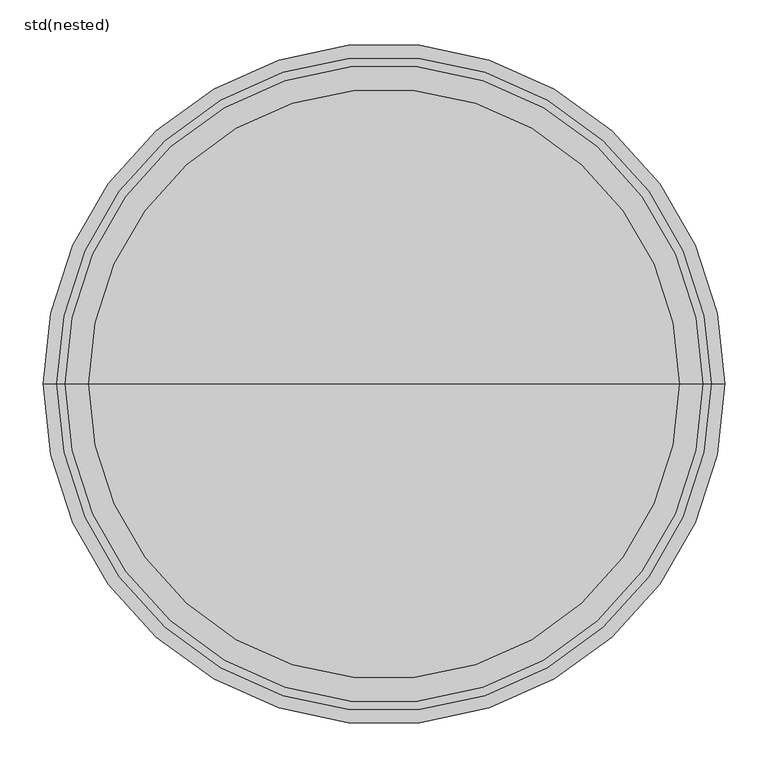
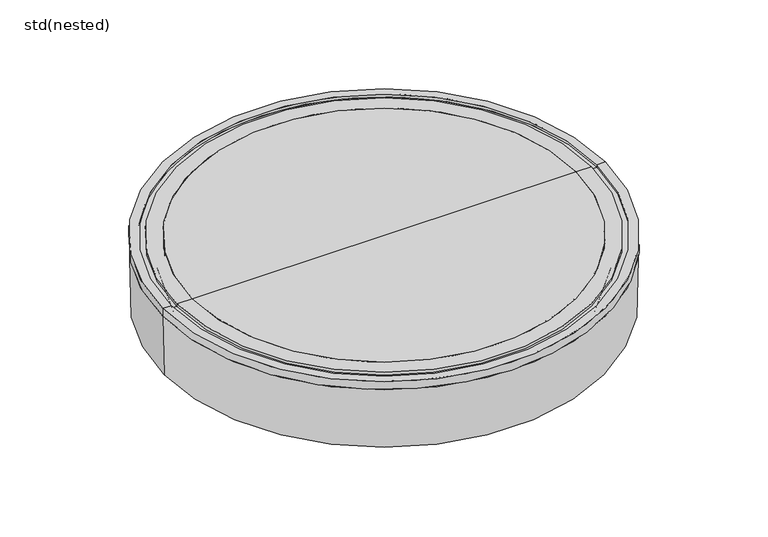
"""IFC4 building model written with IfcOpenShell, lengths in millimetres: sanitary terminal geometry, std(nested)."""

from ifc_helpers import new_model, si_unit, frame, origin, place, context, project, spatial, polyline, circle_curve, source, transform, mapped, element, save
from ifc_brep_helpers import plane_surface, cylinder_surface, revolved_surface, advanced_brep


def std_nested_6e9eaeb5(model_context):
    return source(origin(), model_context, "Body", "AdvancedBrep", [
        advanced_brep(
        [(392.5, 0.0, -15.0), (-392.5, 0.0, -15.0), (-350.0230242, 0.0, -15.0), (350.0230242, 0.0, -15.0), (-350.0230242, 0.0, -35.6814835), (350.0230242, 0.0, -35.6814835), (334.9448405, 0.0, -125.0), (-334.9448405, 0.0, -125.0), (-390.0, 0.0, -125.0), (390.0, 0.0, -125.0), (334.9448405, 0.0, -85.0), (-334.9448405, 0.0, -85.0), (336.4734939, 0.0, -80.0), (-336.4734939, 0.0, -80.0), (-340.0, 0.0, -68.4653184), (340.0, 0.0, -68.4653184)],
        [
            (0, 1, circle_curve(frame((0.0, 0.0, -15.0), z_axis=(0.0, 0.0, 1.0), x_axis=(-1.0, 0.0, 0.0)), 392.5)),
            (1, 2),
            (2, 3, circle_curve(frame((0.0, 0.0, -15.0), z_axis=(0.0, 0.0, -1.0), x_axis=(-1.0, 0.0, 0.0)), 350.0230242)),
            (3, 0),
            (1, 0, circle_curve(frame((0.0, 0.0, -15.0), z_axis=(0.0, 0.0, 1.0), x_axis=(-1.0, 0.0, 0.0)), 392.5)),
            (3, 2, circle_curve(frame((0.0, 0.0, -15.0), z_axis=(0.0, 0.0, -1.0), x_axis=(-1.0, 0.0, 0.0)), 350.0230242)),
            (2, 4),
            (4, 5, circle_curve(frame((0.0, 0.0, -35.6814835), z_axis=(0.0, 0.0, -1.0), x_axis=(-1.0, 0.0, 0.0)), 350.0230242)),
            (5, 3),
            (5, 4, circle_curve(frame((0.0, 0.0, -35.6814835), z_axis=(0.0, 0.0, -1.0), x_axis=(-1.0, 0.0, 0.0)), 350.0230242)),
            (6, 7, circle_curve(frame((0.0, 0.0, -125.0), z_axis=(0.0, 0.0, 1.0), x_axis=(-1.0, 0.0, 0.0)), 334.9448405)),
            (7, 8),
            (8, 9, circle_curve(frame((0.0, 0.0, -125.0), z_axis=(0.0, 0.0, -1.0), x_axis=(-1.0, 0.0, 0.0)), 390.0)),
            (9, 6),
            (7, 6, circle_curve(frame((0.0, 0.0, -125.0), z_axis=(0.0, 0.0, 1.0), x_axis=(-1.0, 0.0, 0.0)), 334.9448405)),
            (9, 8, circle_curve(frame((0.0, 0.0, -125.0), z_axis=(0.0, 0.0, -1.0), x_axis=(-1.0, 0.0, 0.0)), 390.0)),
            (10, 11, circle_curve(frame((0.0, 0.0, -85.0), z_axis=(0.0, 0.0, 1.0), x_axis=(-1.0, 0.0, 0.0)), 334.9448405)),
            (11, 7),
            (6, 10),
            (11, 10, circle_curve(frame((0.0, 0.0, -85.0), z_axis=(0.0, 0.0, 1.0), x_axis=(-1.0, 0.0, 0.0)), 334.9448405)),
            (12, 13, circle_curve(frame((0.0, 0.0, -80.0), z_axis=(0.0, 0.0, 1.0), x_axis=(-1.0, 0.0, 0.0)), 336.4734939)),
            (13, 11),
            (10, 12),
            (13, 12, circle_curve(frame((0.0, 0.0, -80.0), z_axis=(0.0, 0.0, 1.0), x_axis=(-1.0, 0.0, 0.0)), 336.4734939)),
            (4, 14),
            (14, 15, circle_curve(frame((0.0, 0.0, -68.4653184), z_axis=(0.0, 0.0, -1.0), x_axis=(-1.0, 0.0, 0.0)), 340.0)),
            (15, 5),
            (15, 14, circle_curve(frame((0.0, 0.0, -68.4653184), z_axis=(0.0, 0.0, -1.0), x_axis=(-1.0, 0.0, 0.0)), 340.0)),
            (14, 13),
            (12, 15),
            (8, 1),
            (0, 9),
        ],
        [
            plane_surface(frame((0.0, 0.0, -15.0), z_axis=(0.0, 0.0, 1.0), x_axis=(-1.0, 0.0, 0.0))),
            revolved_surface(polyline([(-350.0230242, 0.0, -35.68148350000001), (-350.0230242, 0.0, -15.0)]), (0.0, 0.0, 485.0), (0.0, 0.0, -1.0)),
            plane_surface(frame((0.0, 0.0, -125.0), z_axis=(0.0, 0.0, -1.0), x_axis=(-1.0, 0.0, 0.0))),
            revolved_surface(polyline([(-334.9448405, 0.0, -125.0), (-334.9448405, 0.0, -85.0)]), (0.0, 0.0, 485.0), (0.0, 0.0, -1.0)),
            revolved_surface(polyline([(-334.9448405, 0.0, -85.0), (-336.4734939, 0.0, -80.0)]), (0.0, 0.0, 485.0), (0.0, 0.0, -1.0)),
            revolved_surface(polyline([(-340.0, 0.0, -68.4653184), (-350.0230242, 0.0, -35.6814835)]), (0.0, 0.0, 485.0), (0.0, 0.0, -1.0)),
            revolved_surface(polyline([(-336.4734939, 0.0, -80.0), (-340.0, 0.0, -68.4653184)]), (0.0, 0.0, 485.0), (0.0, 0.0, -1.0)),
            revolved_surface(polyline([(-392.5, 0.0, -15.0), (-390.0, 0.0, -125.0)]), (0.0, 0.0, 485.0), (0.0, 0.0, -1.0)),
        ],
        [
            (0, [[1, 2, 3, 4]]),
            (0, [[5, -4, 6, -2]]),
            (1, [[-3, 7, 8, 9]]),
            (1, [[-6, -9, 10, -7]]),
            (2, [[11, 12, 13, 14]]),
            (2, [[15, -14, 16, -12]]),
            (3, [[17, 18, -11, 19]]),
            (3, [[20, -19, -15, -18]]),
            (4, [[21, 22, -17, 23]]),
            (4, [[24, -23, -20, -22]]),
            (5, [[-8, 25, 26, 27]]),
            (5, [[-10, -27, 28, -25]]),
            (6, [[-26, 29, -21, 30]]),
            (6, [[-28, -30, -24, -29]]),
            (7, [[-13, 31, -1, 32]]),
            (7, [[-16, -32, -5, -31]]),
        ],
    ),
        advanced_brep(
        [(310.4331581, 0.0, -50.0), (-310.4331581, 0.0, -50.0), (-340.0, 0.0, -50.0), (340.0, 0.0, -50.0), (310.4331581, 0.0, -47.0096189), (-310.4331581, 0.0, -47.0096189), (277.9331581, 0.0, -47.0096189), (-277.9331581, 0.0, -47.0096189), (277.9331581, 0.0, -52.0096189), (-277.9331581, 0.0, -52.0096189), (185.2305771, 0.0, -125.0), (-185.2305771, 0.0, -125.0), (0.0, 0.0, -125.0), (340.0, 0.0, 0.0), (-340.0, 0.0, 0.0), (0.0, 0.0, 0.0)],
        [
            (0, 1, circle_curve(frame((0.0, 0.0, -50.0), z_axis=(0.0, 0.0, 1.0), x_axis=(-1.0, 0.0, 0.0)), 310.4331581)),
            (1, 2),
            (2, 3, circle_curve(frame((0.0, 0.0, -50.0), z_axis=(0.0, 0.0, -1.0), x_axis=(-1.0, 0.0, 0.0)), 340.0)),
            (3, 0),
            (1, 0, circle_curve(frame((0.0, 0.0, -50.0), z_axis=(0.0, 0.0, 1.0), x_axis=(-1.0, 0.0, 0.0)), 310.4331581)),
            (3, 2, circle_curve(frame((0.0, 0.0, -50.0), z_axis=(0.0, 0.0, -1.0), x_axis=(-1.0, 0.0, 0.0)), 340.0)),
            (4, 5, circle_curve(frame((0.0, 0.0, -47.0096189), z_axis=(0.0, 0.0, 1.0), x_axis=(-1.0, 0.0, 0.0)), 310.4331581)),
            (5, 1),
            (0, 4),
            (5, 4, circle_curve(frame((0.0, 0.0, -47.0096189), z_axis=(0.0, 0.0, 1.0), x_axis=(-1.0, 0.0, 0.0)), 310.4331581)),
            (6, 7, circle_curve(frame((0.0, 0.0, -47.0096189), z_axis=(0.0, 0.0, 1.0), x_axis=(-1.0, 0.0, 0.0)), 277.9331581)),
            (7, 5),
            (4, 6),
            (7, 6, circle_curve(frame((0.0, 0.0, -47.0096189), z_axis=(0.0, 0.0, 1.0), x_axis=(-1.0, 0.0, 0.0)), 277.9331581)),
            (8, 9, circle_curve(frame((0.0, 0.0, -52.0096189), z_axis=(0.0, 0.0, 1.0), x_axis=(-1.0, 0.0, 0.0)), 277.9331581)),
            (9, 7),
            (6, 8),
            (9, 8, circle_curve(frame((0.0, 0.0, -52.0096189), z_axis=(0.0, 0.0, 1.0), x_axis=(-1.0, 0.0, 0.0)), 277.9331581)),
            (10, 11, circle_curve(frame((0.0, 0.0, -125.0), z_axis=(0.0, 0.0, 1.0), x_axis=(-1.0, 0.0, 0.0)), 185.2305771)),
            (11, 9),
            (8, 10),
            (11, 10, circle_curve(frame((0.0, 0.0, -125.0), z_axis=(0.0, 0.0, 1.0), x_axis=(-1.0, 0.0, 0.0)), 185.2305771)),
            (12, 11),
            (10, 12),
            (13, 14, circle_curve(frame((0.0, 0.0, 0.0), z_axis=(0.0, 0.0, 1.0), x_axis=(-1.0, 0.0, 0.0)), 340.0)),
            (14, 15),
            (15, 13),
            (14, 13, circle_curve(frame((0.0, 0.0, 0.0), z_axis=(0.0, 0.0, 1.0), x_axis=(-1.0, 0.0, 0.0)), 340.0)),
            (2, 14),
            (13, 3),
        ],
        [
            plane_surface(frame((0.0, 0.0, -50.0), z_axis=(0.0, 0.0, -1.0), x_axis=(-1.0, 0.0, 0.0))),
            revolved_surface(polyline([(-310.4331581, 0.0, -50.0), (-310.4331581, 0.0, -47.00961890000002)]), (0.0, 0.0, 460.0), (0.0, 0.0, -1.0)),
            plane_surface(frame((0.0, 0.0, -47.0096189), z_axis=(0.0, 0.0, -1.0), x_axis=(-1.0, 0.0, 0.0))),
            cylinder_surface(frame((0.0, 0.0, 460.0), z_axis=(0.0, 0.0, -1.0), x_axis=(-1.0, 0.0, 0.0)), 277.9331581),
            revolved_surface(polyline([(-277.9331581, 0.0, -52.0096189), (-185.2305771, 0.0, -125.0)]), (0.0, 0.0, 460.0), (0.0, 0.0, -1.0)),
            plane_surface(frame((0.0, 0.0, -125.0), z_axis=(0.0, 0.0, -1.0), x_axis=(-1.0, 0.0, 0.0))),
            plane_surface(frame((0.0, 0.0, 0.0), z_axis=(0.0, 0.0, 1.0), x_axis=(-1.0, 0.0, 0.0))),
            cylinder_surface(frame((0.0, 0.0, 460.0), z_axis=(0.0, 0.0, -1.0), x_axis=(-1.0, 0.0, 0.0)), 340.0),
        ],
        [
            (0, [[1, 2, 3, 4]]),
            (0, [[5, -4, 6, -2]]),
            (1, [[7, 8, -1, 9]]),
            (1, [[10, -9, -5, -8]]),
            (2, [[11, 12, -7, 13]]),
            (2, [[14, -13, -10, -12]]),
            (3, [[15, 16, -11, 17]]),
            (3, [[18, -17, -14, -16]]),
            (4, [[19, 20, -15, 21]]),
            (4, [[22, -21, -18, -20]]),
            (5, [[23, -19, 24]]),
            (5, [[-24, -22, -23]]),
            (6, [[25, 26, 27]]),
            (6, [[28, -27, -26]]),
            (7, [[-3, 29, -25, 30]]),
            (7, [[-6, -30, -28, -29]]),
        ],
    ),
        advanced_brep(
        [(392.5, 0.0, 0.0), (-392.5, 0.0, 0.0), (-377.5, 0.0, 0.0), (377.5, 0.0, 0.0), (392.5, 0.0, -15.0), (-392.5, 0.0, -15.0), (350.0230242, 0.0, -15.0), (-350.0230242, 0.0, -15.0), (350.0230242, 0.0, -35.6814835), (-350.0230242, 0.0, -35.6814835), (335.0, 0.0, -85.0), (-335.0, 0.0, -85.0), (335.0, 0.0, -125.0), (-335.0, 0.0, -125.0), (302.5, 0.0, -125.0), (-302.5, 0.0, -125.0), (302.5, 0.0, -22.0), (-302.5, 0.0, -22.0), (-302.5, 0.0, -43.0), (302.5, 0.0, -43.0), (338.2314699, 0.0, -22.0), (-338.2314699, 0.0, -22.0), (338.2314699, 0.0, -30.0), (-338.2314699, 0.0, -30.0), (340.0, 0.0, -30.0), (-340.0, 0.0, -30.0), (340.0, 0.0, 0.0), (-340.0, 0.0, 0.0), (367.5, 0.0, 0.0), (-367.5, 0.0, 0.0), (367.5, 0.0, -5.0), (-367.5, 0.0, -5.0), (377.5, 0.0, -5.0), (-377.5, 0.0, -5.0)],
        [
            (0, 1, circle_curve(frame((0.0, 0.0, 0.0), z_axis=(0.0, 0.0, 1.0), x_axis=(-1.0, 0.0, 0.0)), 392.5)),
            (1, 2),
            (2, 3, circle_curve(frame((0.0, 0.0, 0.0), z_axis=(0.0, 0.0, -1.0), x_axis=(-1.0, 0.0, 0.0)), 377.5)),
            (3, 0),
            (1, 0, circle_curve(frame((0.0, 0.0, 0.0), z_axis=(0.0, 0.0, 1.0), x_axis=(-1.0, 0.0, 0.0)), 392.5)),
            (3, 2, circle_curve(frame((0.0, 0.0, 0.0), z_axis=(0.0, 0.0, -1.0), x_axis=(-1.0, 0.0, 0.0)), 377.5)),
            (4, 5, circle_curve(frame((0.0, 0.0, -15.0), z_axis=(0.0, 0.0, 1.0), x_axis=(-1.0, 0.0, 0.0)), 392.5)),
            (5, 1),
            (0, 4),
            (5, 4, circle_curve(frame((0.0, 0.0, -15.0), z_axis=(0.0, 0.0, 1.0), x_axis=(-1.0, 0.0, 0.0)), 392.5)),
            (6, 7, circle_curve(frame((0.0, 0.0, -15.0), z_axis=(0.0, 0.0, 1.0), x_axis=(-1.0, 0.0, 0.0)), 350.0230242)),
            (7, 5),
            (4, 6),
            (7, 6, circle_curve(frame((0.0, 0.0, -15.0), z_axis=(0.0, 0.0, 1.0), x_axis=(-1.0, 0.0, 0.0)), 350.0230242)),
            (8, 9, circle_curve(frame((0.0, 0.0, -35.6814835), z_axis=(0.0, 0.0, 1.0), x_axis=(-1.0, 0.0, 0.0)), 350.0230242)),
            (9, 7),
            (6, 8),
            (9, 8, circle_curve(frame((0.0, 0.0, -35.6814835), z_axis=(0.0, 0.0, 1.0), x_axis=(-1.0, 0.0, 0.0)), 350.0230242)),
            (10, 11, circle_curve(frame((0.0, 0.0, -85.0), z_axis=(0.0, 0.0, 1.0), x_axis=(-1.0, 0.0, 0.0)), 335.0)),
            (11, 9),
            (8, 10),
            (11, 10, circle_curve(frame((0.0, 0.0, -85.0), z_axis=(0.0, 0.0, 1.0), x_axis=(-1.0, 0.0, 0.0)), 335.0)),
            (12, 13, circle_curve(frame((0.0, 0.0, -125.0), z_axis=(0.0, 0.0, 1.0), x_axis=(-1.0, 0.0, 0.0)), 335.0)),
            (13, 11),
            (10, 12),
            (13, 12, circle_curve(frame((0.0, 0.0, -125.0), z_axis=(0.0, 0.0, 1.0), x_axis=(-1.0, 0.0, 0.0)), 335.0)),
            (14, 15, circle_curve(frame((0.0, 0.0, -125.0), z_axis=(0.0, 0.0, 1.0), x_axis=(-1.0, 0.0, 0.0)), 302.5)),
            (15, 13),
            (12, 14),
            (15, 14, circle_curve(frame((0.0, 0.0, -125.0), z_axis=(0.0, 0.0, 1.0), x_axis=(-1.0, 0.0, 0.0)), 302.5)),
            (16, 17, circle_curve(frame((0.0, 0.0, -22.0), z_axis=(0.0, 0.0, 1.0), x_axis=(-1.0, 0.0, 0.0)), 302.5)),
            (17, 18),
            (18, 19, circle_curve(frame((0.0, 0.0, -43.0), z_axis=(0.0, 0.0, -1.0), x_axis=(-1.0, 0.0, 0.0)), 302.5)),
            (19, 16),
            (17, 16, circle_curve(frame((0.0, 0.0, -22.0), z_axis=(0.0, 0.0, 1.0), x_axis=(-1.0, 0.0, 0.0)), 302.5)),
            (19, 18, circle_curve(frame((0.0, 0.0, -43.0), z_axis=(0.0, 0.0, -1.0), x_axis=(-1.0, 0.0, 0.0)), 302.5)),
            (20, 21, circle_curve(frame((0.0, 0.0, -22.0), z_axis=(0.0, 0.0, 1.0), x_axis=(-1.0, 0.0, 0.0)), 338.2314699)),
            (21, 17),
            (16, 20),
            (21, 20, circle_curve(frame((0.0, 0.0, -22.0), z_axis=(0.0, 0.0, 1.0), x_axis=(-1.0, 0.0, 0.0)), 338.2314699)),
            (22, 23, circle_curve(frame((0.0, 0.0, -30.0), z_axis=(0.0, 0.0, 1.0), x_axis=(-1.0, 0.0, 0.0)), 338.2314699)),
            (23, 21),
            (20, 22),
            (23, 22, circle_curve(frame((0.0, 0.0, -30.0), z_axis=(0.0, 0.0, 1.0), x_axis=(-1.0, 0.0, 0.0)), 338.2314699)),
            (24, 25, circle_curve(frame((0.0, 0.0, -30.0), z_axis=(0.0, 0.0, 1.0), x_axis=(-1.0, 0.0, 0.0)), 340.0)),
            (25, 23),
            (22, 24),
            (25, 24, circle_curve(frame((0.0, 0.0, -30.0), z_axis=(0.0, 0.0, 1.0), x_axis=(-1.0, 0.0, 0.0)), 340.0)),
            (26, 27, circle_curve(frame((0.0, 0.0, 0.0), z_axis=(0.0, 0.0, 1.0), x_axis=(-1.0, 0.0, 0.0)), 340.0)),
            (27, 25),
            (24, 26),
            (27, 26, circle_curve(frame((0.0, 0.0, 0.0), z_axis=(0.0, 0.0, 1.0), x_axis=(-1.0, 0.0, 0.0)), 340.0)),
            (28, 29, circle_curve(frame((0.0, 0.0, 0.0), z_axis=(0.0, 0.0, 1.0), x_axis=(-1.0, 0.0, 0.0)), 367.5)),
            (29, 27),
            (26, 28),
            (29, 28, circle_curve(frame((0.0, 0.0, 0.0), z_axis=(0.0, 0.0, 1.0), x_axis=(-1.0, 0.0, 0.0)), 367.5)),
            (30, 31, circle_curve(frame((0.0, 0.0, -5.0), z_axis=(0.0, 0.0, 1.0), x_axis=(-1.0, 0.0, 0.0)), 367.5)),
            (31, 29),
            (28, 30),
            (31, 30, circle_curve(frame((0.0, 0.0, -5.0), z_axis=(0.0, 0.0, 1.0), x_axis=(-1.0, 0.0, 0.0)), 367.5)),
            (32, 33, circle_curve(frame((0.0, 0.0, -5.0), z_axis=(0.0, 0.0, 1.0), x_axis=(-1.0, 0.0, 0.0)), 377.5)),
            (33, 31),
            (30, 32),
            (33, 32, circle_curve(frame((0.0, 0.0, -5.0), z_axis=(0.0, 0.0, 1.0), x_axis=(-1.0, 0.0, 0.0)), 377.5)),
            (2, 33),
            (32, 3),
            (18, 15),
            (14, 19),
        ],
        [
            plane_surface(frame((0.0, 0.0, 0.0), z_axis=(0.0, 0.0, 1.0), x_axis=(-1.0, 0.0, 0.0))),
            cylinder_surface(frame((0.0, 0.0, 220.0), z_axis=(0.0, 0.0, -1.0), x_axis=(-1.0, 0.0, 0.0)), 392.5),
            plane_surface(frame((0.0, 0.0, -15.0), z_axis=(0.0, 0.0, -1.0), x_axis=(-1.0, 0.0, 0.0))),
            cylinder_surface(frame((0.0, 0.0, 220.0), z_axis=(0.0, 0.0, -1.0), x_axis=(-1.0, 0.0, 0.0)), 350.0230242),
            revolved_surface(polyline([(-350.0230242, 0.0, -35.6814835), (-335.0, 0.0, -85.0)]), (0.0, 0.0, 220.0), (0.0, 0.0, -1.0)),
            cylinder_surface(frame((0.0, 0.0, 220.0), z_axis=(0.0, 0.0, -1.0), x_axis=(-1.0, 0.0, 0.0)), 335.0),
            plane_surface(frame((0.0, 0.0, -125.0), z_axis=(0.0, 0.0, -1.0), x_axis=(-1.0, 0.0, 0.0))),
            revolved_surface(polyline([(-302.5, 0.0, -43.0), (-302.5, 0.0, -22.0)]), (0.0, 0.0, 220.0), (0.0, 0.0, -1.0)),
            plane_surface(frame((0.0, 0.0, -22.0), z_axis=(0.0, 0.0, 1.0), x_axis=(-1.0, 0.0, 0.0))),
            cylinder_surface(frame((0.0, 0.0, 220.0), z_axis=(0.0, 0.0, -1.0), x_axis=(-1.0, 0.0, 0.0)), 338.2314699),
            plane_surface(frame((0.0, 0.0, -30.0), z_axis=(0.0, 0.0, 1.0), x_axis=(-1.0, 0.0, 0.0))),
            revolved_surface(polyline([(-340.0, 0.0, -30.0), (-340.0, 0.0, 0.0)]), (0.0, 0.0, 220.0), (0.0, 0.0, -1.0)),
            cylinder_surface(frame((0.0, 0.0, 220.0), z_axis=(0.0, 0.0, -1.0), x_axis=(-1.0, 0.0, 0.0)), 367.5),
            plane_surface(frame((0.0, 0.0, -5.0), z_axis=(0.0, 0.0, 1.0), x_axis=(-1.0, 0.0, 0.0))),
            revolved_surface(polyline([(-377.5, 0.0, -5.0), (-377.5, 0.0, 0.0)]), (0.0, 0.0, 220.0), (0.0, 0.0, -1.0)),
            revolved_surface(polyline([(-302.5, 0.0, -125.0), (-302.5, 0.0, -43.0)]), (0.0, 0.0, 220.0), (0.0, 0.0, -1.0)),
        ],
        [
            (0, [[1, 2, 3, 4]]),
            (0, [[5, -4, 6, -2]]),
            (1, [[7, 8, -1, 9]]),
            (1, [[10, -9, -5, -8]]),
            (2, [[11, 12, -7, 13]]),
            (2, [[14, -13, -10, -12]]),
            (3, [[15, 16, -11, 17]]),
            (3, [[18, -17, -14, -16]]),
            (4, [[19, 20, -15, 21]]),
            (4, [[22, -21, -18, -20]]),
            (5, [[23, 24, -19, 25]]),
            (5, [[26, -25, -22, -24]]),
            (6, [[27, 28, -23, 29]]),
            (6, [[30, -29, -26, -28]]),
            (7, [[31, 32, 33, 34]]),
            (7, [[35, -34, 36, -32]]),
            (8, [[37, 38, -31, 39]]),
            (8, [[40, -39, -35, -38]]),
            (9, [[41, 42, -37, 43]]),
            (9, [[44, -43, -40, -42]]),
            (10, [[45, 46, -41, 47]]),
            (10, [[48, -47, -44, -46]]),
            (11, [[49, 50, -45, 51]]),
            (11, [[52, -51, -48, -50]]),
            (0, [[53, 54, -49, 55]]),
            (0, [[56, -55, -52, -54]]),
            (12, [[57, 58, -53, 59]]),
            (12, [[60, -59, -56, -58]]),
            (13, [[61, 62, -57, 63]]),
            (13, [[64, -63, -60, -62]]),
            (14, [[-3, 65, -61, 66]]),
            (14, [[-6, -66, -64, -65]]),
            (15, [[-33, 67, -27, 68]]),
            (15, [[-36, -68, -30, -67]]),
        ],
    ),
    ])


if __name__ == "__main__":
    model = new_model("IFC4")
    model_context = context("Model", 3, world=origin())
    ifc_project = project(units=[si_unit("LENGTHUNIT", "METRE", prefix="MILLI")], contexts=[model_context])
    site = spatial("IfcSite", under=ifc_project)
    building = spatial("IfcBuilding", under=site)
    placement = place(None, origin())
    std_nested_shape = std_nested_6e9eaeb5(model_context)
    element("IfcSanitaryTerminal", 1, ObjectType="std(nested)", at=placement, inside=building, context=model_context, shape_type="MappedRepresentation", body=[
        mapped(std_nested_shape, transform((0.0, 0.0, 0.0), x_axis=(1.0, 0.0, 0.0), y_axis=(0.0, 1.0, 0.0), z_axis=(0.0, 0.0, 1.0))),
    ])
    save(model, "model.ifc")
